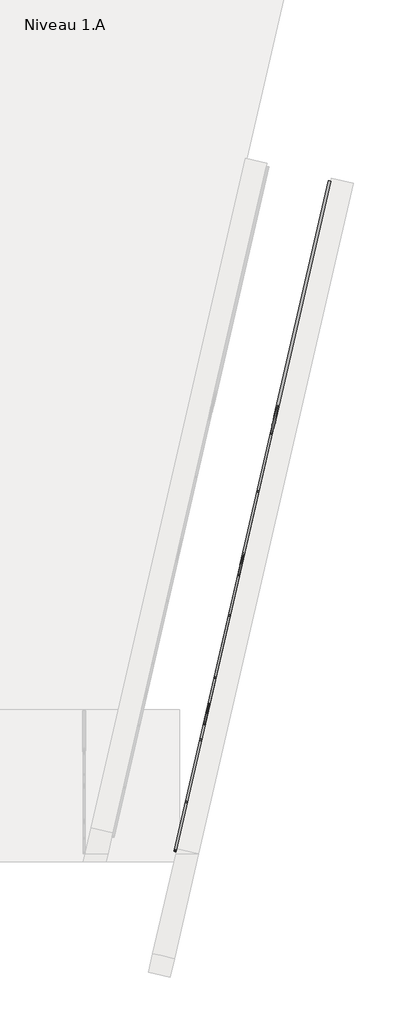
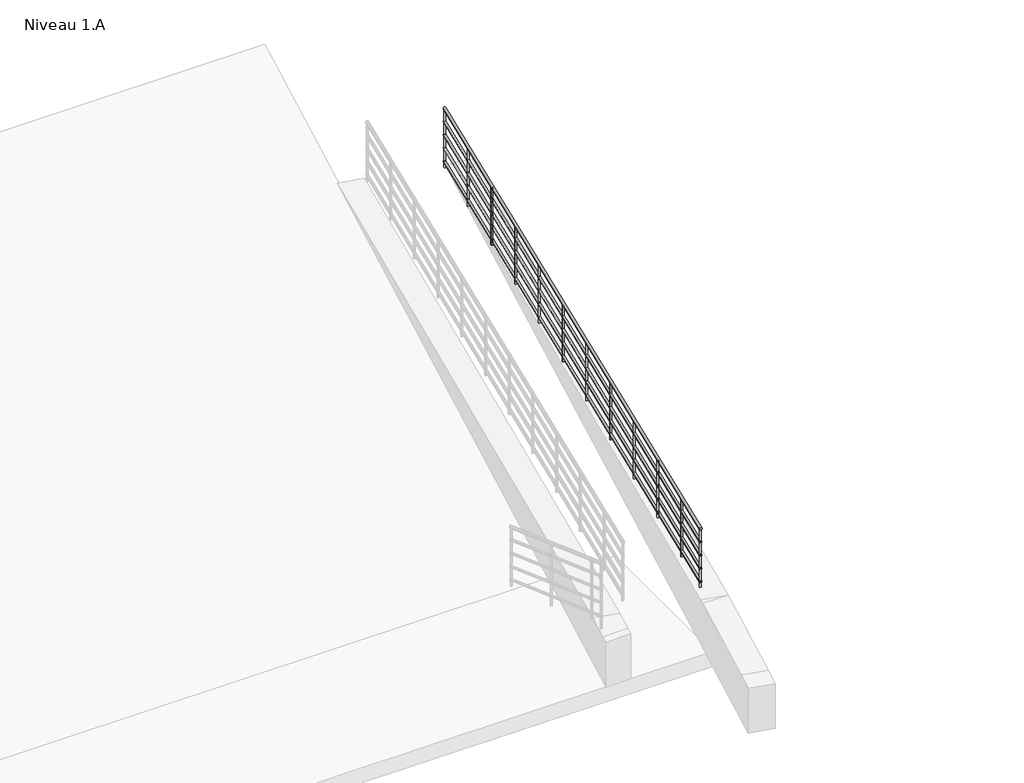
# One storey, part 3 of 3: 1 railing.
"""IFC4 building model written with IfcOpenShell, lengths in millimetres."""

from ifc_helpers import new_model, si_unit, frame, origin, place, context, project, spatial, ellipse_curve, element, save
from ifc_brep_helpers import plane_surface, cylinder_surface, advanced_brep

model = new_model("IFC4")

# Units and contexts
model_context = context("Model", 3, world=origin())
ifc_project = project(units=[si_unit("LENGTHUNIT", "METRE", prefix="MILLI")], contexts=[model_context])

# Site, building, storey
site = spatial("IfcSite", under=ifc_project)
building = spatial("IfcBuilding", under=site)
storey = spatial("IfcBuildingStorey", under=building, Name="Niveau 1.A", Elevation=-900.0)

# Railing
placement = place(None, origin())
element("IfcRailing", 1, at=placement, inside=storey, context=model_context, shape_type="AdvancedBrep", body=[
    advanced_brep(
    [(22969.787809, 11573.9092003, -20.0693243), (23008.7626116, 11564.9111581, -20.0693243), (20540.3164221, 1050.7125006, 879.9306757), (20579.2912247, 1041.7144585, 879.9306757)],
    [
        (0, 1, ellipse_curve(frame((22989.2752103, 11569.4101792, -20.0693243), z_axis=(0.22495105434386656, 0.9743700647852349, 0.0), x_axis=(0.0, 0.0, -1.0)), 20.0693243, 20.0)),
        (1, 0, ellipse_curve(frame((22989.2752103, 11569.4101792, -20.0693243), z_axis=(0.22495105434386656, 0.9743700647852349, 0.0), x_axis=(0.0, 0.0, -1.0)), 20.0693243, 20.0)),
        (2, 3, ellipse_curve(frame((20559.8038234, 1046.2134795, 879.9306757), z_axis=(-0.22495105434386656, -0.9743700647852349, 0.0), x_axis=(0.0, 0.0, -1.0)), 20.0693243, 20.0)),
        (3, 2, ellipse_curve(frame((20559.8038234, 1046.2134795, 879.9306757), z_axis=(-0.22495105434386656, -0.9743700647852349, 0.0), x_axis=(0.0, 0.0, -1.0)), 20.0693243, 20.0)),
        (0, 2),
        (3, 1),
    ],
    [
        plane_surface(frame((22989.2752103, 11569.4101792, 0.0), z_axis=(0.22495105434386656, 0.9743700647852349, 0.0), x_axis=(0.9743700647852349, -0.22495105434386656, 0.0))),
        plane_surface(frame((20559.8038234, 1046.2134795, 900.0), z_axis=(-0.22495105434386656, -0.9743700647852349, 0.0), x_axis=(0.9743700647852349, -0.22495105434386656, 0.0))),
        cylinder_surface(frame((22988.9015869, 11567.7918386, -19.9309152), z_axis=(0.22417401901909365, 0.9710043550225146, -0.08304547985373997), x_axis=(0.9743700647852349, -0.22495105434386656, 0.0)), 20.0),
    ],
    [
        (0, [[1, 2]]),
        (1, [[3, 4]]),
        (2, [[-1, 5, -4, 6]]),
        (2, [[-2, -6, -3, -5]]),
    ],
),
    advanced_brep(
    [(23003.8907613, 11566.0359134, -215.0519932), (22974.6596593, 11572.784445, -215.0519932), (20574.4193744, 1042.8392137, 684.9480068), (20545.1882724, 1049.5877454, 684.9480068)],
    [
        (0, 1, ellipse_curve(frame((22989.2752103, 11569.4101792, -215.0519932), z_axis=(0.22495105434386656, 0.9743700647852349, 0.0), x_axis=(0.0, 0.0, -1.0)), 15.0519932, 15.0)),
        (1, 0, ellipse_curve(frame((22989.2752103, 11569.4101792, -215.0519932), z_axis=(0.22495105434386656, 0.9743700647852349, 0.0), x_axis=(0.0, 0.0, -1.0)), 15.0519932, 15.0)),
        (2, 3, ellipse_curve(frame((20559.8038234, 1046.2134795, 684.9480068), z_axis=(-0.22495105434386656, -0.9743700647852349, 0.0), x_axis=(0.0, 0.0, -1.0)), 15.0519932, 15.0)),
        (3, 2, ellipse_curve(frame((20559.8038234, 1046.2134795, 684.9480068), z_axis=(-0.22495105434386656, -0.9743700647852349, 0.0), x_axis=(0.0, 0.0, -1.0)), 15.0519932, 15.0)),
        (0, 2),
        (3, 1),
    ],
    [
        plane_surface(frame((22989.2752103, 11569.4101792, -200.0), z_axis=(0.22495105434386656, 0.9743700647852349, 0.0), x_axis=(0.9743700647852349, -0.22495105434386656, 0.0))),
        plane_surface(frame((20559.8038234, 1046.2134795, 700.0), z_axis=(-0.22495105434386656, -0.9743700647852349, 0.0), x_axis=(0.9743700647852349, -0.22495105434386656, 0.0))),
        cylinder_surface(frame((22988.9949928, 11568.1964238, -214.9481864), z_axis=(0.22417401901909365, 0.9710043550225146, -0.08304547985373997), x_axis=(-0.9743700647852349, 0.22495105434386656, 0.0)), 15.0),
    ],
    [
        (0, [[1, 2]]),
        (1, [[3, 4]]),
        (2, [[-1, 5, -4, 6]]),
        (2, [[-2, -6, -3, -5]]),
    ],
),
    advanced_brep(
    [(23003.8907613, 11566.0359134, -415.0519932), (22974.6596593, 11572.784445, -415.0519932), (20574.4193744, 1042.8392137, 484.9480068), (20545.1882724, 1049.5877454, 484.9480068)],
    [
        (0, 1, ellipse_curve(frame((22989.2752103, 11569.4101792, -415.0519932), z_axis=(0.22495105434386656, 0.9743700647852349, 0.0), x_axis=(0.0, 0.0, -1.0)), 15.0519932, 15.0)),
        (1, 0, ellipse_curve(frame((22989.2752103, 11569.4101792, -415.0519932), z_axis=(0.22495105434386656, 0.9743700647852349, 0.0), x_axis=(0.0, 0.0, -1.0)), 15.0519932, 15.0)),
        (2, 3, ellipse_curve(frame((20559.8038234, 1046.2134795, 484.9480068), z_axis=(-0.22495105434386656, -0.9743700647852349, 0.0), x_axis=(0.0, 0.0, -1.0)), 15.0519932, 15.0)),
        (3, 2, ellipse_curve(frame((20559.8038234, 1046.2134795, 484.9480068), z_axis=(-0.22495105434386656, -0.9743700647852349, 0.0), x_axis=(0.0, 0.0, -1.0)), 15.0519932, 15.0)),
        (0, 2),
        (3, 1),
    ],
    [
        plane_surface(frame((22989.2752103, 11569.4101792, -400.0), z_axis=(0.22495105434386656, 0.9743700647852349, 0.0), x_axis=(0.9743700647852349, -0.22495105434386656, 0.0))),
        plane_surface(frame((20559.8038234, 1046.2134795, 500.0), z_axis=(-0.22495105434386656, -0.9743700647852349, 0.0), x_axis=(0.9743700647852349, -0.22495105434386656, 0.0))),
        cylinder_surface(frame((22988.9949928, 11568.1964238, -414.9481864), z_axis=(0.22417401901909365, 0.9710043550225146, -0.08304547985373997), x_axis=(-0.9743700647852349, 0.22495105434386656, 0.0)), 15.0),
    ],
    [
        (0, [[1, 2]]),
        (1, [[3, 4]]),
        (2, [[-1, 5, -4, 6]]),
        (2, [[-2, -6, -3, -5]]),
    ],
),
    advanced_brep(
    [(23003.8907613, 11566.0359134, -615.0519932), (22974.6596593, 11572.784445, -615.0519932), (20574.4193744, 1042.8392137, 284.9480068), (20545.1882724, 1049.5877454, 284.9480068)],
    [
        (0, 1, ellipse_curve(frame((22989.2752103, 11569.4101792, -615.0519932), z_axis=(0.22495105434386656, 0.9743700647852349, 0.0), x_axis=(0.0, 0.0, -1.0)), 15.0519932, 15.0)),
        (1, 0, ellipse_curve(frame((22989.2752103, 11569.4101792, -615.0519932), z_axis=(0.22495105434386656, 0.9743700647852349, 0.0), x_axis=(0.0, 0.0, -1.0)), 15.0519932, 15.0)),
        (2, 3, ellipse_curve(frame((20559.8038234, 1046.2134795, 284.9480068), z_axis=(-0.22495105434386656, -0.9743700647852349, 0.0), x_axis=(0.0, 0.0, -1.0)), 15.0519932, 15.0)),
        (3, 2, ellipse_curve(frame((20559.8038234, 1046.2134795, 284.9480068), z_axis=(-0.22495105434386656, -0.9743700647852349, 0.0), x_axis=(0.0, 0.0, -1.0)), 15.0519932, 15.0)),
        (0, 2),
        (3, 1),
    ],
    [
        plane_surface(frame((22989.2752103, 11569.4101792, -600.0), z_axis=(0.22495105434386656, 0.9743700647852349, 0.0), x_axis=(0.9743700647852349, -0.22495105434386656, 0.0))),
        plane_surface(frame((20559.8038234, 1046.2134795, 300.0), z_axis=(-0.22495105434386656, -0.9743700647852349, 0.0), x_axis=(0.9743700647852349, -0.22495105434386656, 0.0))),
        cylinder_surface(frame((22988.9949928, 11568.1964238, -614.9481864), z_axis=(0.22417401901909365, 0.9710043550225146, -0.08304547985373997), x_axis=(-0.9743700647852349, 0.22495105434386656, 0.0)), 15.0),
    ],
    [
        (0, [[1, 2]]),
        (1, [[3, 4]]),
        (2, [[-1, 5, -4, 6]]),
        (2, [[-2, -6, -3, -5]]),
    ],
),
    advanced_brep(
    [(23003.8907613, 11566.0359134, -815.0519932), (22974.6596593, 11572.784445, -815.0519932), (20574.4193744, 1042.8392137, 84.9480068), (20545.1882724, 1049.5877454, 84.9480068)],
    [
        (0, 1, ellipse_curve(frame((22989.2752103, 11569.4101792, -815.0519932), z_axis=(0.22495105434386656, 0.9743700647852349, 0.0), x_axis=(0.0, 0.0, -1.0)), 15.0519932, 15.0)),
        (1, 0, ellipse_curve(frame((22989.2752103, 11569.4101792, -815.0519932), z_axis=(0.22495105434386656, 0.9743700647852349, 0.0), x_axis=(0.0, 0.0, -1.0)), 15.0519932, 15.0)),
        (2, 3, ellipse_curve(frame((20559.8038234, 1046.2134795, 84.9480068), z_axis=(-0.22495105434386656, -0.9743700647852349, 0.0), x_axis=(0.0, 0.0, -1.0)), 15.0519932, 15.0)),
        (3, 2, ellipse_curve(frame((20559.8038234, 1046.2134795, 84.9480068), z_axis=(-0.22495105434386656, -0.9743700647852349, 0.0), x_axis=(0.0, 0.0, -1.0)), 15.0519932, 15.0)),
        (0, 2),
        (3, 1),
    ],
    [
        plane_surface(frame((22989.2752103, 11569.4101792, -800.0), z_axis=(0.22495105434386656, 0.9743700647852349, 0.0), x_axis=(0.9743700647852349, -0.22495105434386656, 0.0))),
        plane_surface(frame((20559.8038234, 1046.2134795, 100.0), z_axis=(-0.22495105434386656, -0.9743700647852349, 0.0), x_axis=(0.9743700647852349, -0.22495105434386656, 0.0))),
        cylinder_surface(frame((22988.9949928, 11568.1964238, -814.9481864), z_axis=(0.22417401901909365, 0.9710043550225146, -0.08304547985373997), x_axis=(-0.9743700647852349, 0.22495105434386656, 0.0)), 15.0),
    ],
    [
        (0, [[1, 2]]),
        (1, [[3, 4]]),
        (2, [[-1, 5, -4, 6]]),
        (2, [[-2, -6, -3, -5]]),
    ],
),
    advanced_brep(
    [(20727.5850411, 1828.5214196, 793.1946847), (20727.5850411, 1828.5214196, -66.6666667), (20751.9442927, 1822.8976432, -66.6666667), (20751.9442927, 1822.8976432, 793.1946847)],
    [
        (0, 1),
        (1, 2, ellipse_curve(frame((20739.7646669, 1825.7095314, -66.6666667), z_axis=(0.018681168251591128, 0.08091702958520951, 0.9965457582448797), x_axis=(-0.22417401901909362, -0.9710043550225146, 0.08304547985373882)), 12.5433277, 12.5)),
        (2, 3),
        (3, 0, ellipse_curve(frame((20739.7646669, 1825.7095314, 793.1946847), z_axis=(-0.018681168251591135, -0.08091702958520954, -0.9965457582448797), x_axis=(-0.22417401901909362, -0.9710043550225145, 0.0830454798537388)), 12.5433277, 12.5)),
        (0, 3, ellipse_curve(frame((20739.7646669, 1825.7095314, 793.1946847), z_axis=(-0.018681168251591135, -0.08091702958520954, -0.9965457582448797), x_axis=(-0.22417401901909362, -0.9710043550225145, 0.0830454798537388)), 12.5433277, 12.5)),
        (2, 1, ellipse_curve(frame((20739.7646669, 1825.7095314, -66.6666667), z_axis=(0.018681168251591128, 0.08091702958520951, 0.9965457582448797), x_axis=(-0.22417401901909362, -0.9710043550225146, 0.08304547985373882)), 12.5433277, 12.5)),
    ],
    [
        cylinder_surface(frame((20739.7646669, 1825.7095314, -166.6666667), z_axis=(0.0, 0.0, 1.0), x_axis=(0.9743700647852349, -0.22495105434386653, 0.0)), 12.5),
        plane_surface(frame((20758.5001421, 1795.7265034, 795.2780181), z_axis=(0.018681168251591135, 0.08091702958520954, 0.9965457582448797), x_axis=(-0.9743700647852349, 0.22495105434386653, 0.0))),
        plane_surface(frame((20769.7476948, 1844.4450066, -68.75), z_axis=(-0.018681168251591128, -0.08091702958520951, -0.9965457582448797), x_axis=(-0.9743700647852349, 0.22495105434386653, 0.0))),
    ],
    [
        (0, [[1, 2, 3, 4]]),
        (0, [[-1, 5, -3, 6]]),
        (1, [[-4, -5]]),
        (2, [[-2, -6]]),
    ],
),
    advanced_brep(
    [(20952.5360954, 2802.8914843, 709.8613514), (20952.5360954, 2802.8914843, -150.0), (20976.895347, 2797.267708, -150.0), (20976.895347, 2797.267708, 709.8613514)],
    [
        (0, 1),
        (1, 2, ellipse_curve(frame((20964.7157212, 2800.0795962, -150.0), z_axis=(0.018681168251591128, 0.08091702958520951, 0.9965457582448797), x_axis=(-0.22417401901909362, -0.9710043550225146, 0.08304547985373882)), 12.5433277, 12.5)),
        (2, 3),
        (3, 0, ellipse_curve(frame((20964.7157212, 2800.0795962, 709.8613514), z_axis=(-0.018681168251591135, -0.08091702958520954, -0.9965457582448797), x_axis=(-0.22417401901909362, -0.9710043550225145, 0.0830454798537388)), 12.5433277, 12.5)),
        (0, 3, ellipse_curve(frame((20964.7157212, 2800.0795962, 709.8613514), z_axis=(-0.018681168251591135, -0.08091702958520954, -0.9965457582448797), x_axis=(-0.22417401901909362, -0.9710043550225145, 0.0830454798537388)), 12.5433277, 12.5)),
        (2, 1, ellipse_curve(frame((20964.7157212, 2800.0795962, -150.0), z_axis=(0.018681168251591128, 0.08091702958520951, 0.9965457582448797), x_axis=(-0.22417401901909362, -0.9710043550225146, 0.08304547985373882)), 12.5433277, 12.5)),
    ],
    [
        cylinder_surface(frame((20964.7157212, 2800.0795962, -250.0), z_axis=(0.0, 0.0, 1.0), x_axis=(0.9743700647852349, -0.22495105434386653, 0.0)), 12.5),
        plane_surface(frame((20983.4511965, 2770.0965682, 711.9446847), z_axis=(0.018681168251591135, 0.08091702958520954, 0.9965457582448797), x_axis=(-0.9743700647852349, 0.22495105434386653, 0.0))),
        plane_surface(frame((20994.6987492, 2818.8150714, -152.0833333), z_axis=(-0.018681168251591128, -0.08091702958520951, -0.9965457582448797), x_axis=(-0.9743700647852349, 0.22495105434386653, 0.0))),
    ],
    [
        (0, [[1, 2, 3, 4]]),
        (0, [[-1, 5, -3, 6]]),
        (1, [[-4, -5]]),
        (2, [[-2, -6]]),
    ],
),
    advanced_brep(
    [(21177.4871497, 3777.2615491, 626.5280181), (21177.4871497, 3777.2615491, -233.3333333), (21201.8464014, 3771.6377728, -233.3333333), (21201.8464014, 3771.6377728, 626.5280181)],
    [
        (0, 1),
        (1, 2, ellipse_curve(frame((21189.6667756, 3774.4496609, -233.3333333), z_axis=(0.018681168251591128, 0.08091702958520951, 0.9965457582448797), x_axis=(-0.22417401901909362, -0.9710043550225146, 0.08304547985373882)), 12.5433277, 12.5)),
        (2, 3),
        (3, 0, ellipse_curve(frame((21189.6667756, 3774.4496609, 626.5280181), z_axis=(-0.018681168251591135, -0.08091702958520954, -0.9965457582448797), x_axis=(-0.22417401901909362, -0.9710043550225145, 0.0830454798537388)), 12.5433277, 12.5)),
        (0, 3, ellipse_curve(frame((21189.6667756, 3774.4496609, 626.5280181), z_axis=(-0.018681168251591135, -0.08091702958520954, -0.9965457582448797), x_axis=(-0.22417401901909362, -0.9710043550225145, 0.0830454798537388)), 12.5433277, 12.5)),
        (2, 1, ellipse_curve(frame((21189.6667756, 3774.4496609, -233.3333333), z_axis=(0.018681168251591128, 0.08091702958520951, 0.9965457582448797), x_axis=(-0.22417401901909362, -0.9710043550225146, 0.08304547985373882)), 12.5433277, 12.5)),
    ],
    [
        cylinder_surface(frame((21189.6667756, 3774.4496609, -333.3333333), z_axis=(0.0, 0.0, 1.0), x_axis=(0.9743700647852349, -0.22495105434386653, 0.0)), 12.5),
        plane_surface(frame((21208.4022508, 3744.466633, 628.6113514), z_axis=(0.018681168251591135, 0.08091702958520954, 0.9965457582448797), x_axis=(-0.9743700647852349, 0.22495105434386653, 0.0))),
        plane_surface(frame((21219.6498035, 3793.1851362, -235.4166667), z_axis=(-0.018681168251591128, -0.08091702958520951, -0.9965457582448797), x_axis=(-0.9743700647852349, 0.22495105434386653, 0.0))),
    ],
    [
        (0, [[1, 2, 3, 4]]),
        (0, [[-1, 5, -3, 6]]),
        (1, [[-4, -5]]),
        (2, [[-2, -6]]),
    ],
),
    advanced_brep(
    [(21402.4382041, 4751.6316139, 543.1946847), (21402.4382041, 4751.6316139, -316.6666667), (21426.7974557, 4746.0078376, -316.6666667), (21426.7974557, 4746.0078376, 543.1946847)],
    [
        (0, 1),
        (1, 2, ellipse_curve(frame((21414.6178299, 4748.8197257, -316.6666667), z_axis=(0.018681168251591128, 0.08091702958520951, 0.9965457582448797), x_axis=(-0.22417401901909362, -0.9710043550225146, 0.08304547985373882)), 12.5433277, 12.5)),
        (2, 3),
        (3, 0, ellipse_curve(frame((21414.6178299, 4748.8197257, 543.1946847), z_axis=(-0.018681168251591135, -0.08091702958520954, -0.9965457582448797), x_axis=(-0.22417401901909362, -0.9710043550225145, 0.0830454798537388)), 12.5433277, 12.5)),
        (0, 3, ellipse_curve(frame((21414.6178299, 4748.8197257, 543.1946847), z_axis=(-0.018681168251591135, -0.08091702958520954, -0.9965457582448797), x_axis=(-0.22417401901909362, -0.9710043550225145, 0.0830454798537388)), 12.5433277, 12.5)),
        (2, 1, ellipse_curve(frame((21414.6178299, 4748.8197257, -316.6666667), z_axis=(0.018681168251591128, 0.08091702958520951, 0.9965457582448797), x_axis=(-0.22417401901909362, -0.9710043550225146, 0.08304547985373882)), 12.5433277, 12.5)),
    ],
    [
        cylinder_surface(frame((21414.6178299, 4748.8197257, -416.6666667), z_axis=(0.0, 0.0, 1.0), x_axis=(0.9743700647852349, -0.22495105434386653, 0.0)), 12.5),
        plane_surface(frame((21433.3533052, 4718.8366978, 545.2780181), z_axis=(0.018681168251591135, 0.08091702958520954, 0.9965457582448797), x_axis=(-0.9743700647852349, 0.22495105434386653, 0.0))),
        plane_surface(frame((21444.6008579, 4767.555201, -318.75), z_axis=(-0.018681168251591128, -0.08091702958520951, -0.9965457582448797), x_axis=(-0.9743700647852349, 0.22495105434386653, 0.0))),
    ],
    [
        (0, [[1, 2, 3, 4]]),
        (0, [[-1, 5, -3, 6]]),
        (1, [[-4, -5]]),
        (2, [[-2, -6]]),
    ],
),
    advanced_brep(
    [(21627.3892584, 5726.0016787, 459.8613514), (21627.3892584, 5726.0016787, -400.0), (21651.7485101, 5720.3779023, -400.0), (21651.7485101, 5720.3779023, 459.8613514)],
    [
        (0, 1),
        (1, 2, ellipse_curve(frame((21639.5688842, 5723.1897905, -400.0), z_axis=(0.018681168251591128, 0.08091702958520951, 0.9965457582448797), x_axis=(-0.22417401901909362, -0.9710043550225146, 0.08304547985373882)), 12.5433277, 12.5)),
        (2, 3),
        (3, 0, ellipse_curve(frame((21639.5688842, 5723.1897905, 459.8613514), z_axis=(-0.018681168251591135, -0.08091702958520954, -0.9965457582448797), x_axis=(-0.22417401901909362, -0.9710043550225145, 0.0830454798537388)), 12.5433277, 12.5)),
        (0, 3, ellipse_curve(frame((21639.5688842, 5723.1897905, 459.8613514), z_axis=(-0.018681168251591135, -0.08091702958520954, -0.9965457582448797), x_axis=(-0.22417401901909362, -0.9710043550225145, 0.0830454798537388)), 12.5433277, 12.5)),
        (2, 1, ellipse_curve(frame((21639.5688842, 5723.1897905, -400.0), z_axis=(0.018681168251591128, 0.08091702958520951, 0.9965457582448797), x_axis=(-0.22417401901909362, -0.9710043550225146, 0.08304547985373882)), 12.5433277, 12.5)),
    ],
    [
        cylinder_surface(frame((21639.5688842, 5723.1897905, -500.0), z_axis=(0.0, 0.0, 1.0), x_axis=(0.9743700647852349, -0.22495105434386653, 0.0)), 12.5),
        plane_surface(frame((21658.3043595, 5693.2067625, 461.9446847), z_axis=(0.018681168251591135, 0.08091702958520954, 0.9965457582448797), x_axis=(-0.9743700647852349, 0.22495105434386653, 0.0))),
        plane_surface(frame((21669.5519122, 5741.9252658, -402.0833333), z_axis=(-0.018681168251591128, -0.08091702958520951, -0.9965457582448797), x_axis=(-0.9743700647852349, 0.22495105434386653, 0.0))),
    ],
    [
        (0, [[1, 2, 3, 4]]),
        (0, [[-1, 5, -3, 6]]),
        (1, [[-4, -5]]),
        (2, [[-2, -6]]),
    ],
),
    advanced_brep(
    [(21852.3403128, 6700.3717435, 376.5280181), (21852.3403128, 6700.3717435, -483.3333333), (21876.6995644, 6694.7479671, -483.3333333), (21876.6995644, 6694.7479671, 376.5280181)],
    [
        (0, 1),
        (1, 2, ellipse_curve(frame((21864.5199386, 6697.5598553, -483.3333333), z_axis=(0.018681168251591128, 0.08091702958520951, 0.9965457582448797), x_axis=(-0.22417401901909362, -0.9710043550225146, 0.08304547985373882)), 12.5433277, 12.5)),
        (2, 3),
        (3, 0, ellipse_curve(frame((21864.5199386, 6697.5598553, 376.5280181), z_axis=(-0.018681168251591135, -0.08091702958520954, -0.9965457582448797), x_axis=(-0.22417401901909362, -0.9710043550225145, 0.0830454798537388)), 12.5433277, 12.5)),
        (0, 3, ellipse_curve(frame((21864.5199386, 6697.5598553, 376.5280181), z_axis=(-0.018681168251591135, -0.08091702958520954, -0.9965457582448797), x_axis=(-0.22417401901909362, -0.9710043550225145, 0.0830454798537388)), 12.5433277, 12.5)),
        (2, 1, ellipse_curve(frame((21864.5199386, 6697.5598553, -483.3333333), z_axis=(0.018681168251591128, 0.08091702958520951, 0.9965457582448797), x_axis=(-0.22417401901909362, -0.9710043550225146, 0.08304547985373882)), 12.5433277, 12.5)),
    ],
    [
        cylinder_surface(frame((21864.5199386, 6697.5598553, -583.3333333), z_axis=(0.0, 0.0, 1.0), x_axis=(0.9743700647852349, -0.22495105434386653, 0.0)), 12.5),
        plane_surface(frame((21883.2554138, 6667.5768273, 378.6113514), z_axis=(0.018681168251591135, 0.08091702958520954, 0.9965457582448797), x_axis=(-0.9743700647852349, 0.22495105434386653, 0.0))),
        plane_surface(frame((21894.5029666, 6716.2953306, -485.4166667), z_axis=(-0.018681168251591128, -0.08091702958520951, -0.9965457582448797), x_axis=(-0.9743700647852349, 0.22495105434386653, 0.0))),
    ],
    [
        (0, [[1, 2, 3, 4]]),
        (0, [[-1, 5, -3, 6]]),
        (1, [[-4, -5]]),
        (2, [[-2, -6]]),
    ],
),
    advanced_brep(
    [(22077.2913671, 7674.7418083, 293.1946847), (22077.2913671, 7674.7418083, -566.6666667), (22101.6506187, 7669.1180319, -566.6666667), (22101.6506187, 7669.1180319, 293.1946847)],
    [
        (0, 1),
        (1, 2, ellipse_curve(frame((22089.4709929, 7671.9299201, -566.6666667), z_axis=(0.018681168251591128, 0.08091702958520951, 0.9965457582448797), x_axis=(-0.22417401901909362, -0.9710043550225146, 0.08304547985373882)), 12.5433277, 12.5)),
        (2, 3),
        (3, 0, ellipse_curve(frame((22089.4709929, 7671.9299201, 293.1946847), z_axis=(-0.018681168251591135, -0.08091702958520954, -0.9965457582448797), x_axis=(-0.22417401901909362, -0.9710043550225145, 0.0830454798537388)), 12.5433277, 12.5)),
        (0, 3, ellipse_curve(frame((22089.4709929, 7671.9299201, 293.1946847), z_axis=(-0.018681168251591135, -0.08091702958520954, -0.9965457582448797), x_axis=(-0.22417401901909362, -0.9710043550225145, 0.0830454798537388)), 12.5433277, 12.5)),
        (2, 1, ellipse_curve(frame((22089.4709929, 7671.9299201, -566.6666667), z_axis=(0.018681168251591128, 0.08091702958520951, 0.9965457582448797), x_axis=(-0.22417401901909362, -0.9710043550225146, 0.08304547985373882)), 12.5433277, 12.5)),
    ],
    [
        cylinder_surface(frame((22089.4709929, 7671.9299201, -666.6666667), z_axis=(0.0, 0.0, 1.0), x_axis=(0.9743700647852349, -0.22495105434386653, 0.0)), 12.5),
        plane_surface(frame((22108.2064682, 7641.9468921, 295.2780181), z_axis=(0.018681168251591135, 0.08091702958520954, 0.9965457582448797), x_axis=(-0.9743700647852349, 0.22495105434386653, 0.0))),
        plane_surface(frame((22119.4540209, 7690.6653953, -568.75), z_axis=(-0.018681168251591128, -0.08091702958520951, -0.9965457582448797), x_axis=(-0.9743700647852349, 0.22495105434386653, 0.0))),
    ],
    [
        (0, [[1, 2, 3, 4]]),
        (0, [[-1, 5, -3, 6]]),
        (1, [[-4, -5]]),
        (2, [[-2, -6]]),
    ],
),
    advanced_brep(
    [(22302.2424215, 8649.1118731, 209.8613514), (22302.2424215, 8649.1118731, -650.0), (22326.6016731, 8643.4880967, -650.0), (22326.6016731, 8643.4880967, 209.8613514)],
    [
        (0, 1),
        (1, 2, ellipse_curve(frame((22314.4220473, 8646.2999849, -650.0), z_axis=(0.018681168251591128, 0.08091702958520951, 0.9965457582448797), x_axis=(-0.22417401901909362, -0.9710043550225146, 0.08304547985373882)), 12.5433277, 12.5)),
        (2, 3),
        (3, 0, ellipse_curve(frame((22314.4220473, 8646.2999849, 209.8613514), z_axis=(-0.018681168251591135, -0.08091702958520954, -0.9965457582448797), x_axis=(-0.22417401901909362, -0.9710043550225145, 0.0830454798537388)), 12.5433277, 12.5)),
        (0, 3, ellipse_curve(frame((22314.4220473, 8646.2999849, 209.8613514), z_axis=(-0.018681168251591135, -0.08091702958520954, -0.9965457582448797), x_axis=(-0.22417401901909362, -0.9710043550225145, 0.0830454798537388)), 12.5433277, 12.5)),
        (2, 1, ellipse_curve(frame((22314.4220473, 8646.2999849, -650.0), z_axis=(0.018681168251591128, 0.08091702958520951, 0.9965457582448797), x_axis=(-0.22417401901909362, -0.9710043550225146, 0.08304547985373882)), 12.5433277, 12.5)),
    ],
    [
        cylinder_surface(frame((22314.4220473, 8646.2999849, -750.0), z_axis=(0.0, 0.0, 1.0), x_axis=(0.9743700647852349, -0.22495105434386653, 0.0)), 12.5),
        plane_surface(frame((22333.1575225, 8616.3169569, 211.9446847), z_axis=(0.018681168251591135, 0.08091702958520954, 0.9965457582448797), x_axis=(-0.9743700647852349, 0.22495105434386653, 0.0))),
        plane_surface(frame((22344.4050753, 8665.0354601, -652.0833333), z_axis=(-0.018681168251591128, -0.08091702958520951, -0.9965457582448797), x_axis=(-0.9743700647852349, 0.22495105434386653, 0.0))),
    ],
    [
        (0, [[1, 2, 3, 4]]),
        (0, [[-1, 5, -3, 6]]),
        (1, [[-4, -5]]),
        (2, [[-2, -6]]),
    ],
),
    advanced_brep(
    [(22527.1934758, 9623.4819378, 126.5280181), (22527.1934758, 9623.4819378, -733.3333333), (22551.5527274, 9617.8581615, -733.3333333), (22551.5527274, 9617.8581615, 126.5280181)],
    [
        (0, 1),
        (1, 2, ellipse_curve(frame((22539.3731016, 9620.6700497, -733.3333333), z_axis=(0.018681168251591128, 0.08091702958520951, 0.9965457582448797), x_axis=(-0.22417401901909362, -0.9710043550225146, 0.08304547985373882)), 12.5433277, 12.5)),
        (2, 3),
        (3, 0, ellipse_curve(frame((22539.3731016, 9620.6700497, 126.5280181), z_axis=(-0.018681168251591135, -0.08091702958520954, -0.9965457582448797), x_axis=(-0.22417401901909362, -0.9710043550225145, 0.0830454798537388)), 12.5433277, 12.5)),
        (0, 3, ellipse_curve(frame((22539.3731016, 9620.6700497, 126.5280181), z_axis=(-0.018681168251591135, -0.08091702958520954, -0.9965457582448797), x_axis=(-0.22417401901909362, -0.9710043550225145, 0.0830454798537388)), 12.5433277, 12.5)),
        (2, 1, ellipse_curve(frame((22539.3731016, 9620.6700497, -733.3333333), z_axis=(0.018681168251591128, 0.08091702958520951, 0.9965457582448797), x_axis=(-0.22417401901909362, -0.9710043550225146, 0.08304547985373882)), 12.5433277, 12.5)),
    ],
    [
        cylinder_surface(frame((22539.3731016, 9620.6700497, -833.3333333), z_axis=(0.0, 0.0, 1.0), x_axis=(0.9743700647852349, -0.22495105434386653, 0.0)), 12.5),
        plane_surface(frame((22558.1085769, 9590.6870217, 128.6113514), z_axis=(0.018681168251591135, 0.08091702958520954, 0.9965457582448797), x_axis=(-0.9743700647852349, 0.22495105434386653, 0.0))),
        plane_surface(frame((22569.3561296, 9639.4055249, -735.4166667), z_axis=(-0.018681168251591128, -0.08091702958520951, -0.9965457582448797), x_axis=(-0.9743700647852349, 0.22495105434386653, 0.0))),
    ],
    [
        (0, [[1, 2, 3, 4]]),
        (0, [[-1, 5, -3, 6]]),
        (1, [[-4, -5]]),
        (2, [[-2, -6]]),
    ],
),
    advanced_brep(
    [(22752.1445301, 10597.8520026, 43.1946847), (22752.1445301, 10597.8520026, -816.6666667), (22776.5037818, 10592.2282263, -816.6666667), (22776.5037818, 10592.2282263, 43.1946847)],
    [
        (0, 1),
        (1, 2, ellipse_curve(frame((22764.324156, 10595.0401144, -816.6666667), z_axis=(0.018681168251591128, 0.08091702958520951, 0.9965457582448797), x_axis=(-0.22417401901909362, -0.9710043550225146, 0.08304547985373882)), 12.5433277, 12.5)),
        (2, 3),
        (3, 0, ellipse_curve(frame((22764.324156, 10595.0401144, 43.1946847), z_axis=(-0.018681168251591135, -0.08091702958520954, -0.9965457582448797), x_axis=(-0.22417401901909362, -0.9710043550225145, 0.0830454798537388)), 12.5433277, 12.5)),
        (0, 3, ellipse_curve(frame((22764.324156, 10595.0401144, 43.1946847), z_axis=(-0.018681168251591135, -0.08091702958520954, -0.9965457582448797), x_axis=(-0.22417401901909362, -0.9710043550225145, 0.0830454798537388)), 12.5433277, 12.5)),
        (2, 1, ellipse_curve(frame((22764.324156, 10595.0401144, -816.6666667), z_axis=(0.018681168251591128, 0.08091702958520951, 0.9965457582448797), x_axis=(-0.22417401901909362, -0.9710043550225146, 0.08304547985373882)), 12.5433277, 12.5)),
    ],
    [
        cylinder_surface(frame((22764.324156, 10595.0401144, -916.6666667), z_axis=(0.0, 0.0, 1.0), x_axis=(0.9743700647852349, -0.22495105434386653, 0.0)), 12.5),
        plane_surface(frame((22783.0596312, 10565.0570865, 45.2780181), z_axis=(0.018681168251591135, 0.08091702958520954, 0.9965457582448797), x_axis=(-0.9743700647852349, 0.22495105434386653, 0.0))),
        plane_surface(frame((22794.3071839, 10613.7755897, -818.75), z_axis=(-0.018681168251591128, -0.08091702958520951, -0.9965457582448797), x_axis=(-0.9743700647852349, 0.22495105434386653, 0.0))),
    ],
    [
        (0, [[1, 2, 3, 4]]),
        (0, [[-1, 5, -3, 6]]),
        (1, [[-4, -5]]),
        (2, [[-2, -6]]),
    ],
),
    advanced_brep(
    [(20550.4360858, 1061.2049935, 858.8196847), (20550.4360858, 1061.2049935, -1.0416667), (20574.7953374, 1055.5812172, -1.0416667), (20574.7953374, 1055.5812172, 858.8196847)],
    [
        (0, 1),
        (1, 2, ellipse_curve(frame((20562.6157116, 1058.3931054, -1.0416667), z_axis=(0.018681168251591128, 0.08091702958520951, 0.9965457582448797), x_axis=(-0.22417401901909362, -0.9710043550225146, 0.08304547985373882)), 12.5433277, 12.5)),
        (2, 3),
        (3, 0, ellipse_curve(frame((20562.6157116, 1058.3931054, 858.8196847), z_axis=(-0.018681168251591135, -0.08091702958520954, -0.9965457582448797), x_axis=(-0.22417401901909362, -0.9710043550225145, 0.0830454798537388)), 12.5433277, 12.5)),
        (0, 3, ellipse_curve(frame((20562.6157116, 1058.3931054, 858.8196847), z_axis=(-0.018681168251591135, -0.08091702958520954, -0.9965457582448797), x_axis=(-0.22417401901909362, -0.9710043550225145, 0.0830454798537388)), 12.5433277, 12.5)),
        (2, 1, ellipse_curve(frame((20562.6157116, 1058.3931054, -1.0416667), z_axis=(0.018681168251591128, 0.08091702958520951, 0.9965457582448797), x_axis=(-0.22417401901909362, -0.9710043550225146, 0.08304547985373882)), 12.5433277, 12.5)),
    ],
    [
        cylinder_surface(frame((20562.6157116, 1058.3931054, -101.0416667), z_axis=(0.0, 0.0, 1.0), x_axis=(0.9743700647852349, -0.22495105434386653, 0.0)), 12.5),
        plane_surface(frame((20581.3511868, 1028.4100774, 860.9030181), z_axis=(0.018681168251591135, 0.08091702958520954, 0.9965457582448797), x_axis=(-0.9743700647852349, 0.22495105434386653, 0.0))),
        plane_surface(frame((20592.5987395, 1077.1285806, -3.125), z_axis=(-0.018681168251591128, -0.08091702958520951, -0.9965457582448797), x_axis=(-0.9743700647852349, 0.22495105434386653, 0.0))),
    ],
    [
        (0, [[1, 2, 3, 4]]),
        (0, [[-1, 5, -3, 6]]),
        (1, [[-4, -5]]),
        (2, [[-2, -6]]),
    ],
),
    advanced_brep(
    [(22974.2836963, 11560.0424416, -39.0969819), (22974.2836963, 11560.0424416, -898.9583333), (22998.6429479, 11554.4186652, -898.9583333), (22998.6429479, 11554.4186652, -39.0969819)],
    [
        (0, 1),
        (1, 2, ellipse_curve(frame((22986.4633221, 11557.2305534, -898.9583333), z_axis=(0.018681168251591128, 0.08091702958520951, 0.9965457582448797), x_axis=(-0.22417401901909362, -0.9710043550225146, 0.08304547985373882)), 12.5433277, 12.5)),
        (2, 3),
        (3, 0, ellipse_curve(frame((22986.4633221, 11557.2305534, -39.0969819), z_axis=(-0.018681168251591135, -0.08091702958520954, -0.9965457582448797), x_axis=(-0.22417401901909362, -0.9710043550225145, 0.0830454798537388)), 12.5433277, 12.5)),
        (0, 3, ellipse_curve(frame((22986.4633221, 11557.2305534, -39.0969819), z_axis=(-0.018681168251591135, -0.08091702958520954, -0.9965457582448797), x_axis=(-0.22417401901909362, -0.9710043550225145, 0.0830454798537388)), 12.5433277, 12.5)),
        (2, 1, ellipse_curve(frame((22986.4633221, 11557.2305534, -898.9583333), z_axis=(0.018681168251591128, 0.08091702958520951, 0.9965457582448797), x_axis=(-0.22417401901909362, -0.9710043550225146, 0.08304547985373882)), 12.5433277, 12.5)),
    ],
    [
        cylinder_surface(frame((22986.4633221, 11557.2305534, -998.9583333), z_axis=(0.0, 0.0, 1.0), x_axis=(0.9743700647852349, -0.22495105434386653, 0.0)), 12.5),
        plane_surface(frame((23005.1987974, 11527.2475254, -37.0136486), z_axis=(0.018681168251591135, 0.08091702958520954, 0.9965457582448797), x_axis=(-0.9743700647852349, 0.22495105434386653, 0.0))),
        plane_surface(frame((23016.4463501, 11575.9660287, -901.0416667), z_axis=(-0.018681168251591128, -0.08091702958520951, -0.9965457582448797), x_axis=(-0.9743700647852349, 0.22495105434386653, 0.0))),
    ],
    [
        (0, [[1, 2, 3, 4]]),
        (0, [[-1, 5, -3, 6]]),
        (1, [[-4, -5]]),
        (2, [[-2, -6]]),
    ],
),
])

save(model, "model.ifc")
